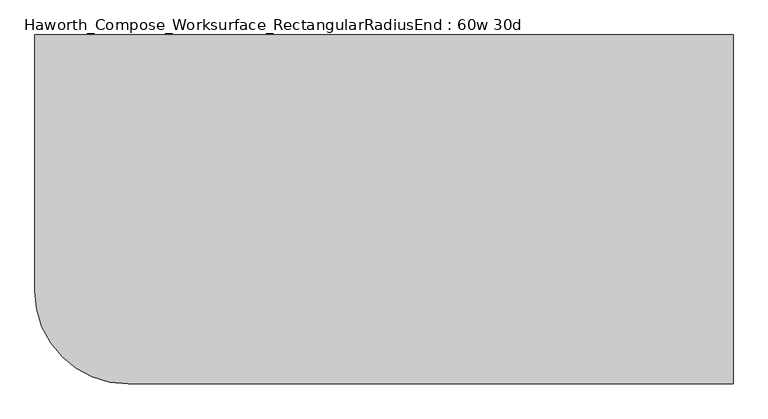
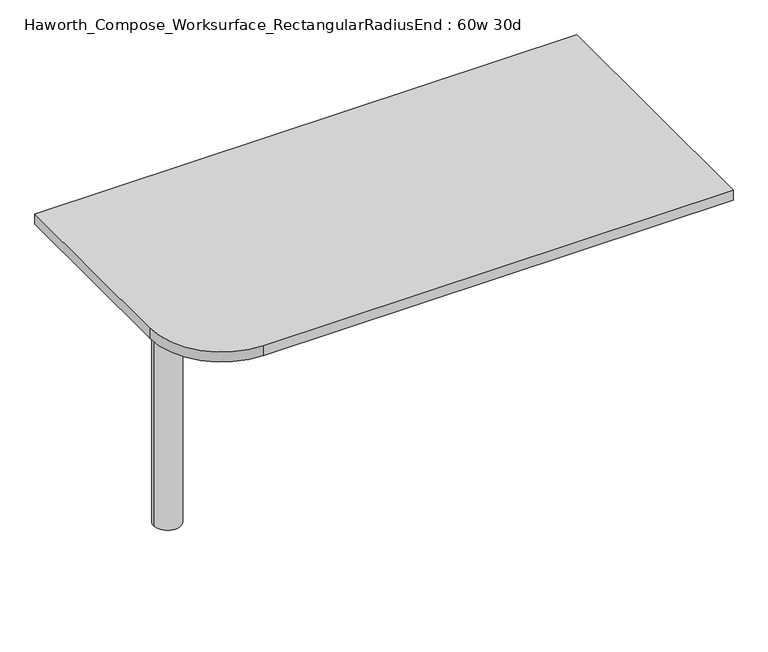
"""IFC4 building model written with IfcOpenShell, lengths in millimetres: furniture geometry, Haworth_Compose_Worksurface_RectangularRadiusEnd : 60w 30d."""

from ifc_helpers import new_model, si_unit, point, frame, frame_2d, origin, place, context, project, spatial, polyline, circle_curve, trimmed, segment, composite_curve, outline, extrude, source, transform, mapped, element, save
from ifc_brep_helpers import plane_surface, cylinder_surface, revolved_surface, advanced_brep


def haworth_compose_worksurface_rectangularradiusend_60w_30d_b5073756(model_context):
    return source(origin(), model_context, "Body", "SolidModel", [
        advanced_brep(
        [(756.44375, 381.0, 475.45625), (756.44375, 365.125, 475.45625), (756.44375, -25.4, 691.7192568), (756.44375, -25.4, 704.05625), (756.44375, 365.125, 704.05625), (756.44375, 381.0, 704.05625), (756.44375, 297.690072, 665.95625), (756.44375, 254.0355284, 665.95625), (756.44375, 251.3564235, 656.3705539), (756.44375, 343.0776173, 605.5776439), (756.44375, 352.425, 611.1756969), (756.44375, 352.425, 634.6860246), (756.44375, 350.6730055, 637.5242776), (756.44375, 300.7663437, 665.1613425), (758.825, 381.0, 475.45625), (758.825, 381.0, 704.05625), (758.825, 365.125, 704.05625), (758.825, 365.125, 706.4375), (758.825, -25.4, 706.4375), (758.825, -25.4, 691.7192568), (758.825, 365.125, 475.45625), (758.825, 297.690072, 665.95625), (758.825, 300.7663437, 665.1613425), (758.825, 350.6730055, 637.5242776), (758.825, 352.425, 634.6860246), (758.825, 352.425, 611.1756969), (758.825, 343.0776173, 605.5776439), (758.825, 251.3564235, 656.3705539), (758.825, 254.0355284, 665.95625), (717.55, -25.4, 706.4375), (717.55, -25.4, 704.05625), (717.55, 365.125, 704.05625), (717.55, 365.125, 706.4375)],
        [
            (0, 1),
            (1, 2),
            (2, 3),
            (3, 4),
            (4, 5),
            (5, 0),
            (6, 7),
            (7, 8, circle_curve(frame((756.44375, 254.0355284, 660.7890106), z_axis=(1.0, 0.0, 0.0), x_axis=(0.0, -1.0, 0.0)), 5.1672394)),
            (8, 9),
            (9, 10, circle_curve(frame((756.44375, 346.075, 611.1756969), z_axis=(1.0, 0.0, 0.0), x_axis=(0.0, -1.0, 0.0)), 6.35)),
            (10, 11),
            (11, 12, circle_curve(frame((756.44375, 349.25, 634.6860246), z_axis=(1.0, 0.0, 0.0), x_axis=(0.0, -1.0, 0.0)), 3.175)),
            (12, 13),
            (13, 6, circle_curve(frame((756.44375, 297.690072, 659.60625), z_axis=(1.0, 0.0, 0.0), x_axis=(0.0, -1.0, 0.0)), 6.35)),
            (14, 15),
            (15, 16),
            (16, 17),
            (17, 18),
            (18, 19),
            (19, 20),
            (20, 14),
            (21, 22, circle_curve(frame((758.825, 297.690072, 659.60625), z_axis=(-1.0, 0.0, 0.0), x_axis=(0.0, -1.0, 0.0)), 6.35)),
            (22, 23),
            (23, 24, circle_curve(frame((758.825, 349.25, 634.6860246), z_axis=(-1.0, 0.0, 0.0), x_axis=(0.0, -1.0, 0.0)), 3.175)),
            (24, 25),
            (25, 26, circle_curve(frame((758.825, 346.075, 611.1756969), z_axis=(-1.0, 0.0, 0.0), x_axis=(0.0, -1.0, 0.0)), 6.35)),
            (26, 27),
            (27, 28, circle_curve(frame((758.825, 254.0355284, 660.7890106), z_axis=(-1.0, 0.0, 0.0), x_axis=(0.0, -1.0, 0.0)), 5.1672394)),
            (28, 21),
            (4, 16),
            (15, 5),
            (14, 0),
            (20, 1),
            (19, 2),
            (18, 29),
            (29, 30),
            (30, 3),
            (6, 21),
            (28, 7),
            (9, 26),
            (25, 10),
            (24, 11),
            (23, 12),
            (27, 8),
            (31, 4),
            (30, 31),
            (32, 29),
            (17, 32),
            (31, 32),
            (22, 13),
        ],
        [
            plane_surface(frame((756.44375, 381.0, 475.45625), z_axis=(-1.0, 0.0, 0.0), x_axis=(0.0, 1.0, 0.0))),
            plane_surface(frame((758.825, 381.0, 475.45625), z_axis=(1.0, 0.0, 0.0), x_axis=(0.0, -1.0, 0.0))),
            plane_surface(frame((758.825, -25.4, 704.05625), z_axis=(0.0, 0.0, 1.0), x_axis=(-1.0, 0.0, 0.0))),
            plane_surface(frame((758.825, 381.0, 704.05625), z_axis=(0.0, 1.0, 0.0), x_axis=(-1.0, 0.0, 0.0))),
            plane_surface(frame((758.825, 381.0, 475.45625), z_axis=(0.0, 0.0, -1.0), x_axis=(-1.0, 0.0, 0.0))),
            plane_surface(frame((758.825, 365.125, 475.45625), z_axis=(0.0, -0.48445223513455843, -0.8748177135112952), x_axis=(-1.0, 0.0, 0.0))),
            plane_surface(frame((758.825, -25.4, 691.7192568), z_axis=(0.0, -1.0, 0.0), x_axis=(-1.0, 0.0, 0.0))),
            plane_surface(frame((758.825, 297.690072, 665.95625), z_axis=(0.0, 0.0, -1.0), x_axis=(-1.0, 0.0, 0.0))),
            revolved_surface(polyline([(756.44375, 339.72499999999997, 611.1756969), (758.825, 339.72499999999997, 611.1756969)]), (758.825, 346.075, 611.1756969), (-1.0, 0.0, 0.0)),
            plane_surface(frame((758.825, 352.425, 611.1756969), z_axis=(0.0, -1.0, 0.0), x_axis=(-1.0, 0.0, 0.0))),
            revolved_surface(polyline([(756.44375, 346.075, 634.6860246), (758.825, 346.075, 634.6860246)]), (758.825, 349.25, 634.6860246), (-1.0, 0.0, 0.0)),
            revolved_surface(polyline([(756.44375, 248.868289, 660.7890106), (758.825, 248.868289, 660.7890106)]), (758.825, 254.0355284, 660.7890106), (-1.0, 0.0, 0.0)),
            plane_surface(frame((758.825, 365.125, 704.05625), z_axis=(0.0, 0.0, -1.0), x_axis=(-1.0, 0.0, 0.0))),
            plane_surface(frame((758.825, 365.125, 706.4375), z_axis=(0.0, 0.0, 1.0), x_axis=(1.0, 0.0, 0.0))),
            plane_surface(frame((717.55, 365.125, 706.4375), z_axis=(0.0, 1.0, 0.0), x_axis=(0.0, 0.0, -1.0))),
            plane_surface(frame((717.55, -25.4, 706.4375), z_axis=(-1.0, 0.0, 0.0), x_axis=(0.0, 0.0, -1.0))),
            plane_surface(frame((758.825, 251.3564235, 656.3705539), z_axis=(0.0, 0.4844522351345583, 0.8748177135112953), x_axis=(-1.0, 0.0, 0.0))),
            plane_surface(frame((758.825, 350.6730055, 637.5242776), z_axis=(0.0, -0.4844522351345582, -0.8748177135112953), x_axis=(-1.0, 0.0, 0.0))),
            revolved_surface(polyline([(756.44375, 291.34007199999996, 659.60625), (758.825, 291.34007199999996, 659.60625)]), (758.825, 297.690072, 659.60625), (-1.0, 0.0, 0.0)),
        ],
        [
            (0, [[1, 2, 3, 4, 5, 6], [7, 8, 9, 10, 11, 12, 13, 14]]),
            (1, [[15, 16, 17, 18, 19, 20, 21], [22, 23, 24, 25, 26, 27, 28, 29]]),
            (2, [[-5, 30, -16, 31]]),
            (3, [[-31, -15, 32, -6]]),
            (4, [[-32, -21, 33, -1]]),
            (5, [[-33, -20, 34, -2]]),
            (6, [[-34, -19, 35, 36, 37, -3]]),
            (7, [[38, -29, 39, -7]]),
            (8, [[40, -26, 41, -10]]),
            (9, [[-41, -25, 42, -11]]),
            (10, [[-42, -24, 43, -12]]),
            (11, [[-39, -28, 44, -8]]),
            (12, [[45, -4, -37, 46]]),
            (13, [[47, -35, -18, 48]]),
            (14, [[-17, -30, -45, 49, -48]]),
            (15, [[-36, -47, -49, -46]]),
            (16, [[-44, -27, -40, -9]]),
            (17, [[-43, -23, 50, -13]]),
            (18, [[-50, -22, -38, -14]]),
        ],
    ),
        advanced_brep(
        [(-571.5, 0.0, 706.4375), (-647.7, 0.0, 706.4375), (-609.6, 0.0, 706.4375), (-571.5, 0.0, 0.0), (-647.7, 0.0, 0.0), (-609.6, 0.0, 0.0)],
        [
            (0, 1, circle_curve(frame((-609.6, 0.0, 706.4375), z_axis=(0.0, 0.0, 1.0), x_axis=(-1.0, 0.0, 0.0)), 38.1)),
            (1, 2),
            (2, 0),
            (1, 0, circle_curve(frame((-609.6, 0.0, 706.4375), z_axis=(0.0, 0.0, 1.0), x_axis=(-1.0, 0.0, 0.0)), 38.1)),
            (3, 4, circle_curve(frame((-609.6, 0.0, 0.0), z_axis=(0.0, 0.0, 1.0), x_axis=(-1.0, 0.0, 0.0)), 38.1)),
            (4, 1),
            (0, 3),
            (4, 3, circle_curve(frame((-609.6, 0.0, 0.0), z_axis=(0.0, 0.0, 1.0), x_axis=(-1.0, 0.0, 0.0)), 38.1)),
            (5, 4),
            (3, 5),
        ],
        [
            plane_surface(frame((-609.6, 0.0, 706.4375), z_axis=(0.0, 0.0, 1.0), x_axis=(-1.0, 0.0, 0.0))),
            cylinder_surface(frame((-609.6, 0.0, 889.623257), z_axis=(0.0, 0.0, -1.0), x_axis=(-1.0, 0.0, 0.0)), 38.1),
            plane_surface(frame((-609.6, 0.0, 0.0), z_axis=(0.0, 0.0, -1.0), x_axis=(-1.0, 0.0, 0.0))),
        ],
        [
            (0, [[1, 2, 3]]),
            (0, [[4, -3, -2]]),
            (1, [[5, 6, -1, 7]]),
            (1, [[8, -7, -4, -6]]),
            (2, [[9, -5, 10]]),
            (2, [[-10, -8, -9]]),
        ],
    ),
        extrude(outline(composite_curve([segment(polyline([(762.0, 381.0), (762.0, -381.0), (-558.8, -381.0)]), True, "CONTINUOUS"), segment(trimmed(circle_curve(frame_2d((-558.8, -177.8)), 203.2), [point((-558.8, -381.0))], [point((-762.0, -177.8))], False, "CARTESIAN"), True, "CONTINUOUS"), segment(polyline([(-762.0, -177.8), (-762.0, 381.0), (762.0, 381.0)]), True, "CONTINUOUS")], self_intersect=False)), frame((0.0, 0.0, 706.4375), z_axis=(0.0, 0.0, 1.0), x_axis=(1.0, 0.0, 0.0)), (0.0, 0.0, 1.0), 30.1625),
    ])


if __name__ == "__main__":
    model = new_model("IFC4")
    model_context = context("Model", 3, world=origin())
    ifc_project = project(units=[si_unit("LENGTHUNIT", "METRE", prefix="MILLI")], contexts=[model_context])
    site = spatial("IfcSite", under=ifc_project)
    building = spatial("IfcBuilding", under=site)
    placement = place(None, origin())
    haworth_compose_worksurface_rectangularradiusend_60w_30d_shape = haworth_compose_worksurface_rectangularradiusend_60w_30d_b5073756(model_context)
    element("IfcFurniture", 1, ObjectType="Haworth_Compose_Worksurface_RectangularRadiusEnd : 60w 30d", at=placement, inside=building, context=model_context, shape_type="MappedRepresentation", body=[
        mapped(haworth_compose_worksurface_rectangularradiusend_60w_30d_shape, transform((0.0, 0.0, 0.0), x_axis=(1.0, 0.0, 0.0), y_axis=(0.0, 1.0, 0.0), z_axis=(0.0, 0.0, 1.0))),
    ])
    save(model, "model.ifc")
